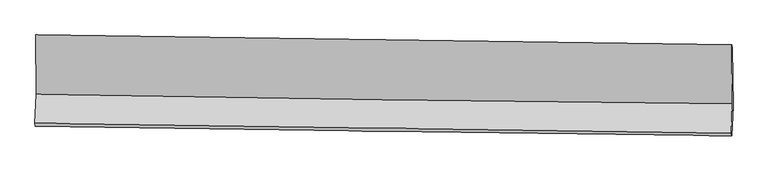
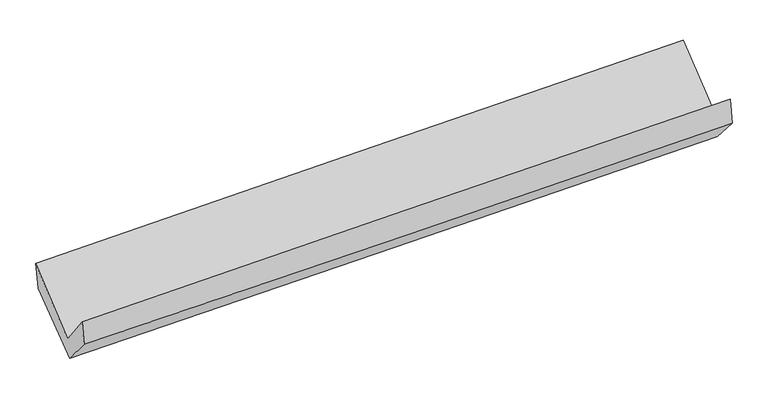
"""IFC4 building model written with IfcOpenShell, lengths in millimetres: proxy geometry."""

from ifc_helpers import new_model, si_unit, frame, origin, place, context, project, spatial, source, transform, mapped, element, save
from ifc_brep_helpers import plane_surface, spline_curve, spline_surface, advanced_brep


def generic_models_9ea98c96(model_context):
    return source(origin(), model_context, "Body", "AdvancedBrep", [
        advanced_brep(
        [(-3024.1666049, -1168.0847254, 2177.6905869), (-3018.988065, -1679.762261, 1734.5152309), (3009.6401746, -1763.4122594, 1908.1495266), (3003.4536143, -1252.2535434, 2331.469698), (-3029.7720221, -1933.5220827, 2061.3372796), (2999.3395551, -2020.7367381, 2214.2181626), (-3024.8892193, -1957.7357409, 1850.5062903), (3004.9691882, -2041.3510168, 1988.9298594), (-3015.1015932, -1709.5980834, 1561.9317267), (3014.8404457, -1786.5585949, 1698.5670085), (-3019.0702642, -1207.4265454, 1951.2828788), (3009.3868154, -1279.93341, 2091.8911155)],
        [
            (0, 1),
            (1, 2, spline_curve(3, [(-3018.988065, -1679.762261, 1734.5152309), (-2014.134576104, -1699.759974521, 1765.992636225), (-1009.213153737, -1716.730519747, 1796.203727787), (1000.329652004, -1744.611227412, 1854.080727823), (2004.950975704, -1755.524014455, 1881.747735135), (3009.6401746, -1763.4122594, 1908.1495266)], [4, 2, 4], [0.0, 9.895421894607871, 19.786551720861056])),
            (2, 3),
            (3, 0, spline_curve(3, [(3003.4536143, -1252.2535434, 2331.469698), (1999.052375867, -1237.965764164, 2307.081494609), (994.659028147, -1223.809299487, 2282.075380931), (-1014.547718183, -1195.752912965, 2230.816213409), (-2019.361110449, -1181.853104925, 2204.562623624), (-3024.1666049, -1168.0847254, 2177.6905869)], [4, 2, 4], [0.0, 9.891129826253184, 19.786551720861056])),
            (1, 4),
            (4, 5, spline_curve(3, [(-3029.7720221, -1933.5220827, 2061.3372796), (-2024.833148947, -1948.67112339, 2091.14444892), (-1019.828747991, -1963.515042206, 2118.790402056), (989.87516791, -1992.586329095, 2169.748821922), (1994.574625913, -2006.813962426, 2193.063163282), (2999.3395551, -2020.7367381, 2214.2181626)], [4, 2, 4], [0.0, 9.896675662927533, 19.789058713687353])),
            (5, 2),
            (4, 6),
            (6, 7, spline_curve(3, [(-3024.8892193, -1957.7357409, 1850.5062903), (-2019.656880464, -1972.752958814, 1870.629157293), (-1014.443515703, -1987.230901981, 1892.228710881), (995.509270637, -2015.102193221, 1938.371181165), (2000.248708078, -2028.496008399, 1962.912817548), (3004.9691882, -2041.3510168, 1988.9298594)], [4, 2, 4], [0.0, 9.896912826041923, 19.78953293704833])),
            (7, 5),
            (6, 8),
            (8, 9, spline_curve(3, [(-3015.1015932, -1709.5980834, 1561.9317267), (-2009.976594598, -1727.900358359, 1584.882424136), (-1004.80991594, -1743.465669317, 1607.746497461), (1005.170800015, -1769.116799079, 1653.291516383), (2009.984800778, -1779.204992187, 1675.972537012), (3014.8404457, -1786.5585949, 1698.5670085)], [4, 2, 4], [0.0, 9.897182297696045, 19.790071763475176])),
            (9, 7),
            (8, 10),
            (10, 11, spline_curve(3, [(-3019.0702642, -1207.4265454, 1951.2828788), (-2014.193207197, -1221.321121628, 1977.549302779), (-1009.27427293, -1234.311762752, 2002.402103234), (1000.211456777, -1258.479933925, 2049.270289191), (2004.778215294, -1269.658247154, 2071.286901316), (3009.3868154, -1279.93341, 2091.8911155)], [4, 2, 4], [0.0, 9.895961084161172, 19.78762986609805])),
            (11, 9),
            (10, 0),
            (3, 11),
        ],
        [
            spline_surface(3, 3, [[(-3024.1666049, -1168.0847254, 2177.6905869), (-2019.361110582, -1181.853104944, 2204.562623563), (-1014.547718321, -1195.752912898, 2230.81621352), (994.659028285, -1223.809299554, 2282.07538082), (1999.052375711, -1237.965764263, 2307.081494608), (3003.4536143, -1252.2535434, 2331.469698)], [(-3022.440424936, -1338.643903913, 2029.965468207), (-2017.618932431, -1354.488728088, 2058.372627771), (-1012.769530096, -1369.412115241, 2085.945384891), (996.549236136, -1397.409942133, 2139.41049653), (2001.018575755, -1410.485181027, 2165.303574793), (3005.51580107, -1422.639782064, 2190.362974219)], [(-3020.714244964, -1509.203082487, 1882.240349593), (-2015.876754273, -1527.124351293, 1912.182632057), (-1010.991341833, -1543.071317555, 1941.074556275), (998.439444024, -1571.010584683, 1996.745612254), (2002.984775791, -1583.004597797, 2023.52565492), (3007.57798783, -1593.026020736, 2049.256250381)], [(-3018.988065, -1679.762261, 1734.5152309), (-2014.134576122, -1699.759974437, 1765.992636265), (-1009.213153607, -1716.730519897, 1796.203727646), (1000.329651874, -1744.611227262, 1854.080727964), (2004.950975835, -1755.524014562, 1881.747735105), (3009.6401746, -1763.4122594, 1908.1495266)]], [4, 4], [4, 2, 4], [0.0, 2.218829071679936], [0.0, 9.895421894607871, 19.786551720861056]),
            spline_surface(3, 3, [[(-3018.988065, -1679.762261, 1734.5152309), (-2014.134576122, -1699.759974437, 1765.992636265), (-1009.213153607, -1716.730519897, 1796.203727646), (1000.329651874, -1744.611227262, 1854.080727964), (2004.950975835, -1755.524014562, 1881.747735105), (3009.6401746, -1763.4122594, 1908.1495266)], [(-3022.582717341, -1764.348868257, 1843.455913809), (-2017.700767055, -1782.730357453, 1874.376573828), (-1012.751685057, -1798.992027294, 1903.732619105), (996.844823889, -1827.269594584, 1959.303425959), (2001.492192528, -1839.287330485, 1985.519544455), (3006.206634741, -1849.187085607, 2010.172405264)], [(-3026.177369759, -1848.935475443, 1952.396596691), (-2021.266958063, -1865.700740396, 1982.760511363), (-1016.290216529, -1881.253534684, 2011.261510567), (993.359995883, -1909.927961898, 2064.526123957), (1998.033409299, -1923.050646486, 2089.291353813), (3002.773094959, -1934.961911893, 2112.195283936)], [(-3029.7720221, -1933.5220827, 2061.3372796), (-2024.833148996, -1948.671123412, 2091.144448925), (-1019.828747979, -1963.515042081, 2118.790402026), (989.875167898, -1992.58632922, 2169.748821952), (1994.574625992, -2006.813962409, 2193.063163163), (2999.3395551, -2020.7367381, 2214.2181626)]], [4, 4], [4, 2, 4], [0.0, 1.3251948618104015], [0.0, 9.896675662927533, 19.789058713687353]),
            spline_surface(3, 3, [[(-3029.7720221, -1933.5220827, 2061.3372796), (-2024.833148996, -1948.671123412, 2091.144448925), (-1019.828747979, -1963.515042081, 2118.790402026), (989.875167898, -1992.58632922, 2169.748821952), (1994.574625992, -2006.813962409, 2193.063163163), (2999.3395551, -2020.7367381, 2214.2181626)], [(-3028.144421164, -1941.593302091, 1991.060283164), (-2023.10772615, -1956.698401902, 2017.639351734), (-1018.033670498, -1971.420328745, 2043.269838279), (991.753202099, -2000.091617145, 2092.622941712), (1996.465986709, -2014.041311116, 2116.346381271), (3001.216099487, -2027.608164354, 2139.12206154)], [(-3026.516820236, -1949.664521509, 1920.783286736), (-2021.382303311, -1964.72568042, 1944.134254553), (-1016.238593033, -1979.325615476, 1967.749274547), (993.631236285, -2007.596905137, 2015.497061487), (1998.357347366, -2021.268659759, 2039.62959936), (3003.092643813, -2034.479590546, 2064.02596046)], [(-3024.8892193, -1957.7357409, 1850.5062903), (-2019.656880465, -1972.752958911, 1870.629157362), (-1014.443515553, -1987.23090214, 1892.2287108), (995.509270487, -2015.102193062, 1938.371181246), (2000.248708084, -2028.496008465, 1962.912817468), (3004.9691882, -2041.3510168, 1988.9298594)]], [4, 4], [4, 2, 4], [0.0, 0.7552443573872031], [0.0, 9.896912826041923, 19.78953293704833]),
            spline_surface(3, 3, [[(-3024.8892193, -1957.7357409, 1850.5062903), (-2019.656880465, -1972.752958911, 1870.629157362), (-1014.443515553, -1987.23090214, 1892.2287108), (995.509270487, -2015.102193062, 1938.371181246), (2000.248708084, -2028.496008465, 1962.912817468), (3004.9691882, -2041.3510168, 1988.9298594)], [(-3021.626677278, -1875.02318839, 1754.314769109), (-2016.430118514, -1891.135425333, 1775.380246317), (-1011.232315654, -1905.975824492, 1797.40130639), (998.729780301, -1933.107061798, 1843.344626284), (2003.49407233, -1945.399003006, 1867.26605727), (3008.259607362, -1956.420209493, 1892.142242406)], [(-3018.364135222, -1792.31063591, 1658.123247891), (-2013.20335653, -1809.517891785, 1680.131335246), (-1008.021115753, -1824.720746809, 1702.573901938), (1001.950290117, -1851.111930499, 1748.318071279), (2006.739436589, -1862.301997568, 1771.619297153), (3011.550026538, -1871.489402207, 1795.354625494)], [(-3015.1015932, -1709.5980834, 1561.9317267), (-2009.976594579, -1727.900358207, 1584.882424201), (-1004.809915854, -1743.465669161, 1607.746497528), (1005.17079993, -1769.116799235, 1653.291516317), (2009.984800834, -1779.204992109, 1675.972536954), (3014.8404457, -1786.5585949, 1698.5670085)]], [4, 4], [4, 2, 4], [0.0, 1.2326393979876016], [0.0, 9.897182297696045, 19.790071763475176]),
            spline_surface(3, 3, [[(-3015.1015932, -1709.5980834, 1561.9317267), (-2009.976594579, -1727.900358207, 1584.882424201), (-1004.809915854, -1743.465669161, 1607.746497528), (1005.17079993, -1769.116799235, 1653.291516317), (2009.984800834, -1779.204992109, 1675.972536954), (3014.8404457, -1786.5585949, 1698.5670085)], [(-3016.424483531, -1542.207570737, 1691.715444076), (-2011.38213216, -1559.040612638, 1715.771383761), (-1006.298034865, -1573.747700399, 1739.298366048), (1003.517685495, -1598.904510742, 1785.284440636), (2008.249272347, -1609.356077151, 1807.743991747), (3013.022568924, -1617.683533262, 1829.675044177)], [(-3017.747373869, -1374.817058063, 1821.499161424), (-2012.78766975, -1390.180867057, 1846.660343294), (-1007.786153821, -1404.02973166, 1870.8502346), (1001.864571114, -1428.692222273, 1917.277364986), (2006.513743887, -1439.507162205, 1939.51544651), (3011.204692176, -1448.808471638, 1960.783079823)], [(-3019.0702642, -1207.4265454, 1951.2828788), (-2014.193207331, -1221.321121488, 1977.549302853), (-1009.274272832, -1234.311762898, 2002.40210312), (1000.211456679, -1258.479933779, 2049.270289306), (2004.778215399, -1269.658247246, 2071.286901303), (3009.3868154, -1279.93341, 2091.8911155)]], [4, 4], [4, 2, 4], [0.0, 2.116817197234046], [0.0, 9.895961084161172, 19.78762986609805]),
            spline_surface(3, 3, [[(-3019.0702642, -1207.4265454, 1951.2828788), (-2014.193207331, -1221.321121488, 1977.549302853), (-1009.274272832, -1234.311762898, 2002.40210312), (1000.211456679, -1258.479933779, 2049.270289306), (2004.778215399, -1269.658247246, 2071.286901303), (3009.3868154, -1279.93341, 2091.8911155)], [(-3020.76904445, -1194.312605412, 2026.752114835), (-2015.915841765, -1208.165115985, 2053.220409759), (-1011.032087975, -1221.458812904, 2078.540139926), (998.360647234, -1246.923055711, 2126.871986484), (2002.869602186, -1259.09408627, 2149.885099065), (3007.409081717, -1270.706787819, 2171.750642994)], [(-3022.46782465, -1181.198665388, 2102.221350865), (-2017.638476148, -1195.009110447, 2128.891516658), (-1012.789903178, -1208.605862892, 2154.678176713), (996.50983773, -1235.366177623, 2204.473683642), (2000.960988924, -1248.529925238, 2228.483296846), (3005.431347983, -1261.480165581, 2251.610170506)], [(-3024.1666049, -1168.0847254, 2177.6905869), (-2019.361110582, -1181.853104944, 2204.562623563), (-1014.547718321, -1195.752912898, 2230.81621352), (994.659028285, -1223.809299554, 2282.07538082), (1999.052375711, -1237.965764263, 2307.081494608), (3003.4536143, -1252.2535434, 2331.469698)]], [4, 4], [4, 2, 4], [0.0, 0.7662734963956912], [0.0, 9.894448666284422, 19.78460568634497]),
            plane_surface(frame((3006.9382989, -1690.7075938, 2038.8708951), z_axis=(0.9996231750544082, -0.009292394437887725, 0.02582942701174228), x_axis=(-0.00850260769499969, 0.7898656374922702, 0.6132209882018999))),
            plane_surface(frame((-3021.9979614, -1609.3549065, 1889.5439989), z_axis=(-0.9996409466670468, 0.011032361393045713, -0.024418532894176594), x_axis=(0.022171796444863733, -0.17115786929901763, -0.9849941092308259))),
        ],
        [
            (0, [[1, 2, 3, 4]]),
            (1, [[5, 6, 7, -2]]),
            (2, [[8, 9, 10, -6]]),
            (3, [[11, 12, 13, -9]]),
            (4, [[14, 15, 16, -12]]),
            (5, [[17, -4, 18, -15]]),
            (6, [[-16, -18, -3, -7, -10, -13]]),
            (7, [[-17, -14, -11, -8, -5, -1]]),
        ],
    ),
    ])


if __name__ == "__main__":
    model = new_model("IFC4")
    model_context = context("Model", 3, world=origin())
    ifc_project = project(units=[si_unit("LENGTHUNIT", "METRE", prefix="MILLI")], contexts=[model_context])
    site = spatial("IfcSite", under=ifc_project)
    building = spatial("IfcBuilding", under=site)
    placement = place(None, origin())
    generic_models_shape = generic_models_9ea98c96(model_context)
    element("IfcBuildingElementProxy", 1, Name="Generic Models", at=placement, inside=building, context=model_context, shape_type="MappedRepresentation", body=[
        mapped(generic_models_shape, transform((0.0, 0.0, 0.0), x_axis=(1.0, 0.0, 0.0), y_axis=(0.0, 1.0, 0.0), z_axis=(0.0, 0.0, 1.0))),
    ])
    save(model, "model.ifc")
